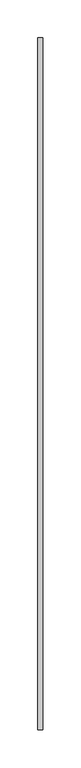
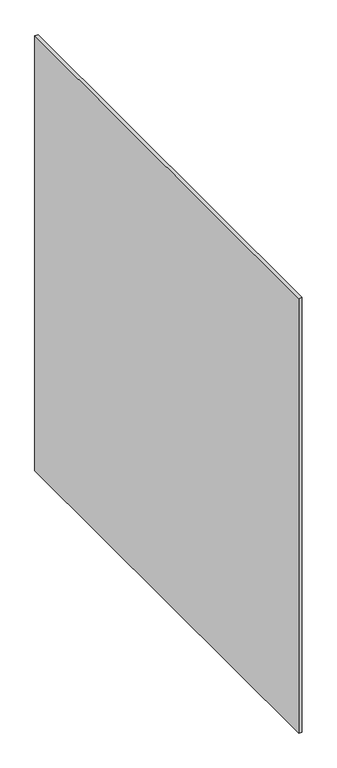
"""IFC4 building model written with IfcOpenShell, lengths in millimetres: proxy geometry."""

from ifc_helpers import new_model, si_unit, frame, origin, place, context, project, spatial, polyline, outline, extrude, source, transform, mapped, element, save


def generic_models_91aa212c(model_context):
    return source(origin(), model_context, "Body", "SweptSolid", [
        extrude(outline(polyline([(37916.4210167, -23977.1529893), (37916.4210167, -24888.3779893), (37910.0710167, -24888.3779893), (37910.0710167, -23977.1529893), (37916.4210167, -23977.1529893)])), frame((0.0, 0.0, 4724.4), z_axis=(0.0, 0.0, 1.0), x_axis=(1.0, 0.0, 0.0)), (0.0, 0.0, 1.0), 914.4),
    ])


if __name__ == "__main__":
    model = new_model("IFC4")
    model_context = context("Model", 3, world=origin())
    ifc_project = project(units=[si_unit("LENGTHUNIT", "METRE", prefix="MILLI")], contexts=[model_context])
    site = spatial("IfcSite", under=ifc_project)
    building = spatial("IfcBuilding", under=site)
    placement = place(None, origin())
    generic_models_shape = generic_models_91aa212c(model_context)
    element("IfcBuildingElementProxy", 1, Name="Generic Models", at=placement, inside=building, context=model_context, shape_type="MappedRepresentation", body=[
        mapped(generic_models_shape, transform((0.0, 0.0, 0.0), x_axis=(1.0, 0.0, 0.0), y_axis=(0.0, 1.0, 0.0), z_axis=(0.0, 0.0, 1.0))),
    ])
    save(model, "model.ifc")
